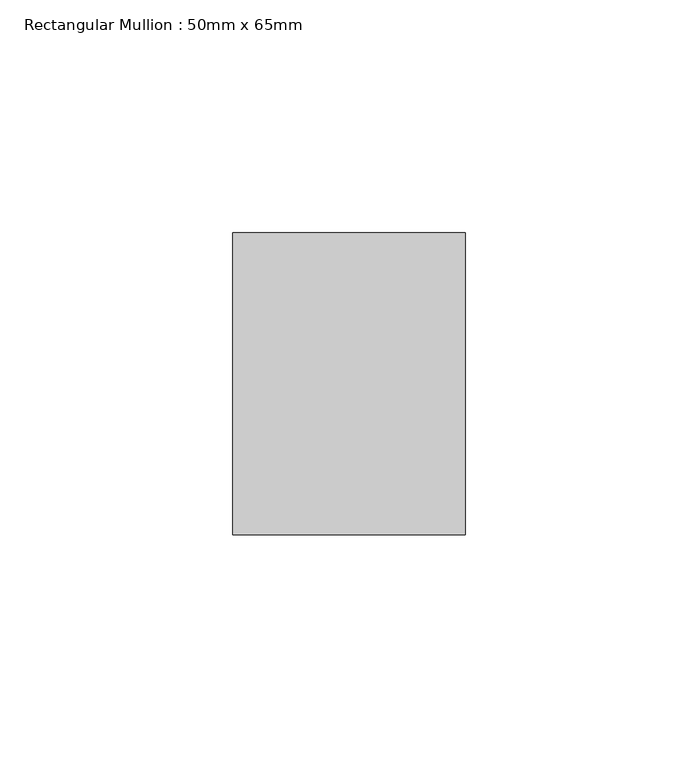
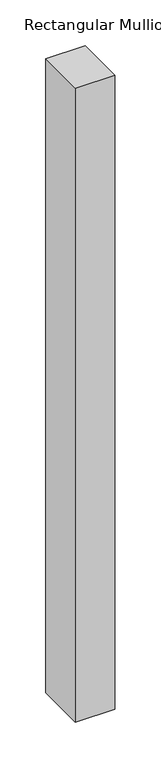
"""IFC4 building model written with IfcOpenShell, lengths in millimetres: member geometry, Rectangular Mullion : 50mm x 65mm."""

from ifc_helpers import new_model, si_unit, frame, origin, place, context, project, spatial, polyline, outline, extrude, source, transform, mapped, element, save


def rectangular_mullion_50mm_x_65mm_e5f30514(model_context):
    return source(origin(), model_context, "Body", "SweptSolid", [
        extrude(outline(polyline([(25.0, 32.5), (25.0, -32.5), (-25.0, -32.5), (-25.0, 32.5), (25.0, 32.5)])), frame((0.0, 0.0, -846.7249347), z_axis=(0.0, 0.0, 1.0), x_axis=(1.0, 0.0, 0.0)), (0.0, 0.0, 1.0), 846.7249347),
    ])


if __name__ == "__main__":
    model = new_model("IFC4")
    model_context = context("Model", 3, world=origin())
    ifc_project = project(units=[si_unit("LENGTHUNIT", "METRE", prefix="MILLI")], contexts=[model_context])
    site = spatial("IfcSite", under=ifc_project)
    building = spatial("IfcBuilding", under=site)
    placement = place(None, origin())
    rectangular_mullion_50mm_x_65mm_shape = rectangular_mullion_50mm_x_65mm_e5f30514(model_context)
    element("IfcMember", 1, ObjectType="Rectangular Mullion : 50mm x 65mm", at=placement, inside=building, context=model_context, shape_type="MappedRepresentation", body=[
        mapped(rectangular_mullion_50mm_x_65mm_shape, transform((0.0, 0.0, 0.0), x_axis=(1.0, 0.0, 0.0), y_axis=(0.0, 1.0, 0.0), z_axis=(0.0, 0.0, 1.0))),
    ])
    save(model, "model.ifc")
